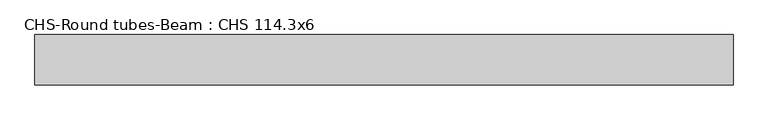
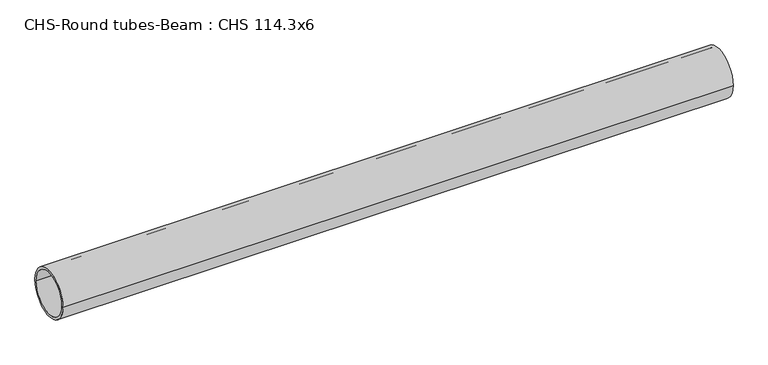
"""IFC4 building model written with IfcOpenShell, lengths in millimetres: beam geometry, CHS-Round tubes-Beam : CHS 114.3x6."""

from ifc_helpers import new_model, si_unit, point, frame, origin, origin_2d, place, context, project, spatial, circle_curve, trimmed, segment, composite_curve, outline, extrude, source, transform, mapped, element, save


def chs_round_tubes_beam_chs_114_3x6_c640306d(model_context):
    return source(origin(), model_context, "Body", "SweptSolid", [
        extrude(outline(composite_curve([segment(trimmed(circle_curve(origin_2d(), 57.15), [point((57.15, 0.0))], [point((-57.15, 0.0))], False, "CARTESIAN"), True, "CONTINUOUS"), segment(trimmed(circle_curve(origin_2d(), 57.15), [point((-57.15, 0.0))], [point((57.15, 0.0))], False, "CARTESIAN"), True, "CONTINUOUS")], self_intersect=False), holes=[composite_curve([segment(trimmed(circle_curve(origin_2d(), 51.15), [point((51.15, 0.0))], [point((-51.15, 0.0))], True, "CARTESIAN"), True, "CONTINUOUS"), segment(trimmed(circle_curve(origin_2d(), 51.15), [point((-51.15, 0.0))], [point((51.15, 0.0))], True, "CARTESIAN"), True, "CONTINUOUS")], self_intersect=False)]), frame((-784.3668654, 0.0, 0.0), z_axis=(1.0, 0.0, 0.0), x_axis=(0.0, 1.0, 0.0)), (0.0, 0.0, 1.0), 1579.3123547),
    ])


if __name__ == "__main__":
    model = new_model("IFC4")
    model_context = context("Model", 3, world=origin())
    ifc_project = project(units=[si_unit("LENGTHUNIT", "METRE", prefix="MILLI")], contexts=[model_context])
    site = spatial("IfcSite", under=ifc_project)
    building = spatial("IfcBuilding", under=site)
    placement = place(None, origin())
    chs_round_tubes_beam_chs_114_3x6_shape = chs_round_tubes_beam_chs_114_3x6_c640306d(model_context)
    element("IfcBeam", 1, ObjectType="CHS-Round tubes-Beam : CHS 114.3x6", at=placement, inside=building, context=model_context, shape_type="MappedRepresentation", body=[
        mapped(chs_round_tubes_beam_chs_114_3x6_shape, transform((0.0, 0.0, 0.0), x_axis=(1.0, 0.0, 0.0), y_axis=(0.0, 1.0, 0.0), z_axis=(0.0, 0.0, 1.0))),
    ])
    save(model, "model.ifc")
